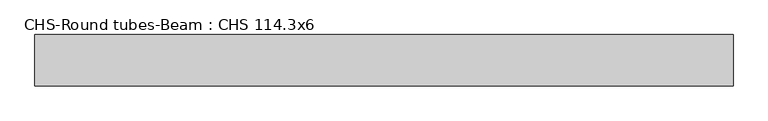
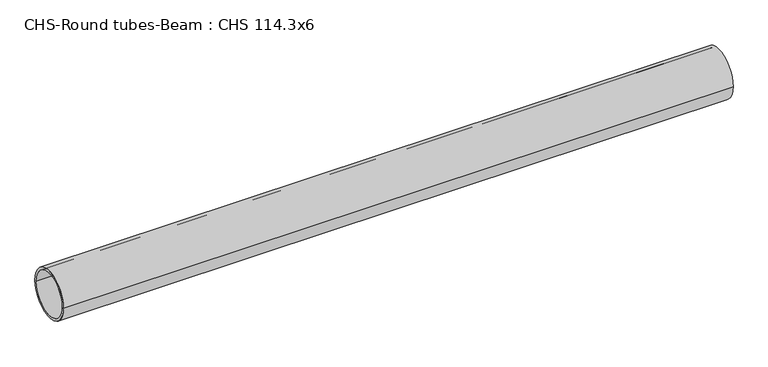
"""IFC4 building model written with IfcOpenShell, lengths in millimetres: beam geometry, CHS-Round tubes-Beam : CHS 114.3x6."""

from ifc_helpers import new_model, si_unit, point, frame, origin, origin_2d, place, context, project, spatial, circle_curve, trimmed, segment, composite_curve, outline, extrude, source, transform, mapped, element, save


def chs_round_tubes_beam_chs_114_3x6_fc04179c(model_context):
    return source(origin(), model_context, "Body", "SweptSolid", [
        extrude(outline(composite_curve([segment(trimmed(circle_curve(origin_2d(), 57.15), [point((57.15, 0.0))], [point((-57.15, 0.0))], False, "CARTESIAN"), True, "CONTINUOUS"), segment(trimmed(circle_curve(origin_2d(), 57.15), [point((-57.15, 0.0))], [point((57.15, 0.0))], False, "CARTESIAN"), True, "CONTINUOUS")], self_intersect=False), holes=[composite_curve([segment(trimmed(circle_curve(origin_2d(), 51.15), [point((51.15, 0.0))], [point((-51.15, 0.0))], True, "CARTESIAN"), True, "CONTINUOUS"), segment(trimmed(circle_curve(origin_2d(), 51.15), [point((-51.15, 0.0))], [point((51.15, 0.0))], True, "CARTESIAN"), True, "CONTINUOUS")], self_intersect=False)]), frame((-747.381634, 0.0, 0.0), z_axis=(1.0, 0.0, 0.0), x_axis=(0.0, 1.0, 0.0)), (0.0, 0.0, 1.0), 1551.6564312),
    ])


if __name__ == "__main__":
    model = new_model("IFC4")
    model_context = context("Model", 3, world=origin())
    ifc_project = project(units=[si_unit("LENGTHUNIT", "METRE", prefix="MILLI")], contexts=[model_context])
    site = spatial("IfcSite", under=ifc_project)
    building = spatial("IfcBuilding", under=site)
    placement = place(None, origin())
    chs_round_tubes_beam_chs_114_3x6_shape = chs_round_tubes_beam_chs_114_3x6_fc04179c(model_context)
    element("IfcBeam", 1, ObjectType="CHS-Round tubes-Beam : CHS 114.3x6", at=placement, inside=building, context=model_context, shape_type="MappedRepresentation", body=[
        mapped(chs_round_tubes_beam_chs_114_3x6_shape, transform((0.0, 0.0, 0.0), x_axis=(1.0, 0.0, 0.0), y_axis=(0.0, 1.0, 0.0), z_axis=(0.0, 0.0, 1.0))),
    ])
    save(model, "model.ifc")
